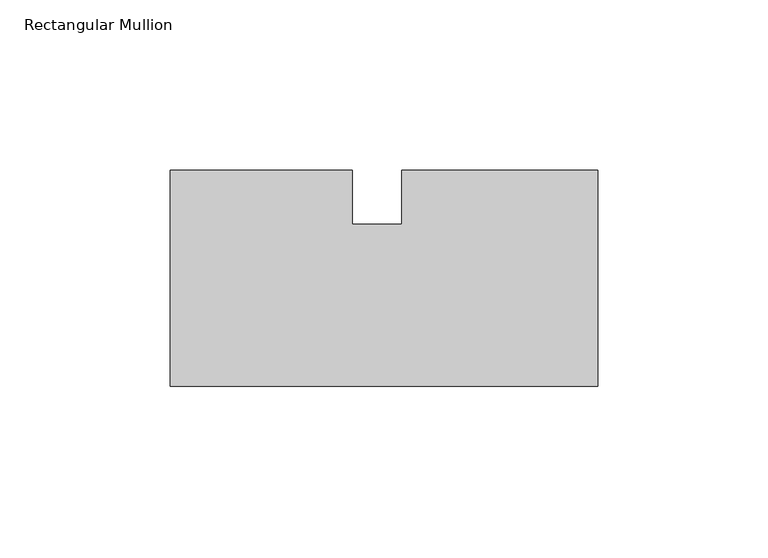
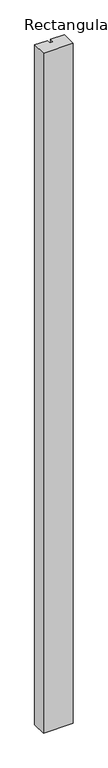
"""IFC4 building model written with IfcOpenShell, lengths in millimetres: member geometry, Rectangular Mullion."""

from ifc_helpers import new_model, si_unit, frame, origin, place, context, project, spatial, polyline, outline, extrude, source, transform, mapped, element, save


def rectangular_mullion_a39245e2(model_context):
    return source(origin(), model_context, "Body", "SweptSolid", [
        extrude(outline(polyline([(0.0, -63.494572), (-125.7922728, -63.494572), (-125.7922728, 0.005428), (-72.1855728, 0.005428), (-72.1855728, -15.875), (-57.6896303, -15.875), (-57.6896303, 0.0), (0.0, 0.0), (0.0, -63.494572)])), frame((0.0, 0.0, -3048.0), z_axis=(0.0, 0.0, 1.0), x_axis=(1.0, 0.0, 0.0)), (0.0, 0.0, 1.0), 3048.0),
    ])


if __name__ == "__main__":
    model = new_model("IFC4")
    model_context = context("Model", 3, world=origin())
    ifc_project = project(units=[si_unit("LENGTHUNIT", "METRE", prefix="MILLI")], contexts=[model_context])
    site = spatial("IfcSite", under=ifc_project)
    building = spatial("IfcBuilding", under=site)
    placement = place(None, origin())
    rectangular_mullion_shape = rectangular_mullion_a39245e2(model_context)
    element("IfcMember", 1, ObjectType="Rectangular Mullion", at=placement, inside=building, context=model_context, shape_type="MappedRepresentation", body=[
        mapped(rectangular_mullion_shape, transform((0.0, 0.0, 0.0), x_axis=(1.0, 0.0, 0.0), y_axis=(0.0, 1.0, 0.0), z_axis=(0.0, 0.0, 1.0))),
    ])
    save(model, "model.ifc")
